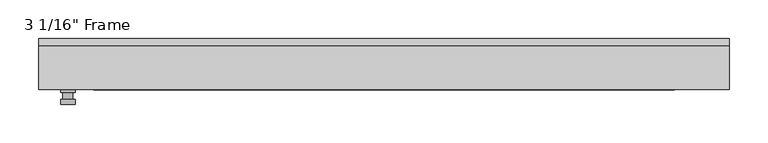
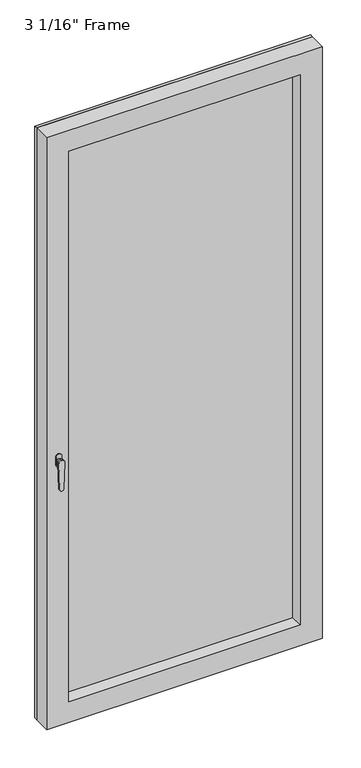
"""IFC4 building model written with IfcOpenShell, lengths in millimetres: plate geometry."""

import ifcopenshell
import ifcopenshell.guid

model = None  # the IFC model being written
_history = None  # IfcOwnerHistory: only IFC2X3 demands one
_inside = {}  # id of a spatial element -> (the spatial element, [elements in it])
_under = {}  # id of a project, library or spatial element -> (it, [spatial elements below it])
_declared = {}  # id of a project -> (the project, [libraries it declares])
_typed = {}  # id of a type object -> (the type object, [elements of that type])
_made_of = {}  # id of a material, layer set ... -> (it, [elements and type objects made of it])


def new_model(schema):
    """Start an empty IFC model of exactly this schema.

    Asked for "IFC4X3", IfcOpenShell would pick the latest addendum, in which some entities
    have other attributes; the version numbers below select the first issue.
    IFC2X3 requires an IfcOwnerHistory on every rooted entity: one is made here for all.
    """
    global model, _history
    if schema == "IFC4X3":
        model = ifcopenshell.file(schema_version=(4, 3, 0, 0))
    else:
        model = ifcopenshell.file(schema=schema)
    _inside.clear()
    _under.clear()
    _declared.clear()
    _typed.clear()
    _made_of.clear()
    _history = None
    if model.schema == "IFC2X3":
        org = make("IfcOrganization", Name="unknown")
        user = make(
            "IfcPersonAndOrganization",
            ThePerson=make("IfcPerson", FamilyName="unknown"),
            TheOrganization=org,
        )
        app = make(
            "IfcApplication",
            ApplicationDeveloper=org,
            Version="unknown",
            ApplicationFullName="unknown",
            ApplicationIdentifier="unknown",
        )
        _history = make(
            "IfcOwnerHistory",
            OwningUser=user,
            OwningApplication=app,
            ChangeAction="ADDED",
            CreationDate=0,
        )
    return model


def make(cls, **values):
    """One entity of the class cls with the attributes given. An attribute that is None is left unset."""
    return model.create_entity(
        cls, **{name: value for name, value in values.items() if value is not None}
    )


def rooted(cls, **values):
    """An entity with a GlobalId (a new one), such as an element, a storey or a relation."""
    return make(cls, GlobalId=ifcopenshell.guid.new(), OwnerHistory=_history, **values)


def si_unit(unit_type, name, prefix=None):
    """IfcSIUnit, for example si_unit("LENGTHUNIT", "METRE", prefix="MILLI")."""
    return make("IfcSIUnit", UnitType=unit_type, Prefix=prefix, Name=name)


def assignment(units):
    """IfcUnitAssignment: the units of a project."""
    return None if units is None else make("IfcUnitAssignment", Units=units)


def point(xyz):
    """IfcCartesianPoint."""
    return None if xyz is None else make("IfcCartesianPoint", Coordinates=xyz)


def direction(xyz):
    """IfcDirection."""
    return None if xyz is None else make("IfcDirection", DirectionRatios=xyz)


def frame(location, z_axis=None, x_axis=None):
    """IfcAxis2Placement3D, a coordinate frame: its origin and axes. An axis left out is left unset."""
    return make(
        "IfcAxis2Placement3D",
        Location=point(location),
        Axis=direction(z_axis),
        RefDirection=direction(x_axis),
    )


def origin():
    """The frame at (0, 0, 0) with its axes left unset."""
    return frame((0.0, 0.0, 0.0))


def place(relative_to, where):
    """IfcLocalPlacement: puts the frame where relative to a parent placement (None: the world)."""
    return make(
        "IfcLocalPlacement", PlacementRelTo=relative_to, RelativePlacement=where
    )


def context(
    kind, dimensions, precision=None, world=None, true_north=None, identifier=None
):
    """IfcGeometricRepresentationContext, for example the 3D "Model" context."""
    return make(
        "IfcGeometricRepresentationContext",
        ContextIdentifier=identifier,
        ContextType=kind,
        CoordinateSpaceDimension=dimensions,
        Precision=precision,
        WorldCoordinateSystem=world,
        TrueNorth=true_north,
    )


def project(units=None, contexts=None):
    """IfcProject with its units and contexts."""
    return rooted(
        "IfcProject",
        Name="project",
        RepresentationContexts=contexts,
        UnitsInContext=assignment(units),
    )


def spatial(cls, under=None, at=None, **own):
    """A site, building, storey or space (cls), placed at a placement, below another one or the project."""
    s = rooted(cls, ObjectPlacement=at, **own)
    if under is not None:
        _under.setdefault(under.id(), (under, []))[1].append(s)
    return s


def polyline(points):
    """IfcPolyline through the points."""
    return make("IfcPolyline", Points=[point(p) for p in points])


def circle_curve(where, radius):
    """IfcCircle in the frame where."""
    return make("IfcCircle", Position=where, Radius=radius)


def outline(outer, holes=None, kind="AREA"):
    """IfcArbitraryClosedProfileDef: a profile drawn as a closed curve; with holes, ...WithVoids."""
    if holes is None:
        return make("IfcArbitraryClosedProfileDef", ProfileType=kind, OuterCurve=outer)
    return make(
        "IfcArbitraryProfileDefWithVoids",
        ProfileType=kind,
        OuterCurve=outer,
        InnerCurves=holes,
    )


def extrude(swept, where, along, depth):
    """IfcExtrudedAreaSolid: the profile swept, set in the frame where, extruded along a direction by depth."""
    return make(
        "IfcExtrudedAreaSolid",
        SweptArea=swept,
        Position=where,
        ExtrudedDirection=direction(along),
        Depth=depth,
    )


def faces_of(points, faces, orient=None, outer=None):
    """IfcFace entities. A face is a list of loops; a loop is a list of indices into points, from 0.

    orient and outer hold one flag for each loop. By default every Orientation is true, the
    first loop of a face is its IfcFaceOuterBound and the others are IfcFaceBound.
    """
    made = []
    for i, loops in enumerate(faces):
        bounds = []
        for j, loop in enumerate(loops):
            is_outer = j == 0 if outer is None else outer[i][j]
            bounds.append(
                make(
                    "IfcFaceOuterBound" if is_outer else "IfcFaceBound",
                    Bound=make("IfcPolyLoop", Polygon=[points[k] for k in loop]),
                    Orientation=True if orient is None else orient[i][j],
                )
            )
        made.append(make("IfcFace", Bounds=bounds))
    return made


def faceted_brep(points, faces, orient=None, outer=None, voids=None):
    """IfcFacetedBrep: a solid bounded by flat faces; with voids (closed shells), ...WithVoids."""
    shared = [point(p) for p in points]
    hull = make("IfcClosedShell", CfsFaces=faces_of(shared, faces, orient, outer))
    if voids is None:
        return make("IfcFacetedBrep", Outer=hull)
    return make(
        "IfcFacetedBrepWithVoids",
        Outer=hull,
        Voids=[
            make(cls, CfsFaces=faces_of(shared, fs, o, b)) for cls, fs, o, b in voids
        ],
    )


def shape(context_of_items, identifier, shape_type, items):
    """IfcShapeRepresentation: the items that make up one representation, for example the "Body"."""
    return make(
        "IfcShapeRepresentation",
        ContextOfItems=context_of_items,
        RepresentationIdentifier=identifier,
        RepresentationType=shape_type,
        Items=items,
    )


def source(mapping_origin, context_of_items, identifier, shape_type, items):
    """IfcRepresentationMap: a shape defined once, which mapped items show again and again."""
    return make(
        "IfcRepresentationMap",
        MappingOrigin=mapping_origin,
        MappedRepresentation=shape(context_of_items, identifier, shape_type, items),
    )


def transform(
    local_origin,
    x_axis=None,
    y_axis=None,
    z_axis=None,
    scale=None,
    scale2=None,
    scale3=None,
    uniform=True,
):
    """IfcCartesianTransformationOperator3D, or its non-uniform kind. x_axis, y_axis, z_axis: its Axis1, 2, 3."""
    if uniform:
        return make(
            "IfcCartesianTransformationOperator3D",
            Axis1=direction(x_axis),
            Axis2=direction(y_axis),
            LocalOrigin=point(local_origin),
            Scale=scale,
            Axis3=direction(z_axis),
        )
    return make(
        "IfcCartesianTransformationOperator3DnonUniform",
        Axis1=direction(x_axis),
        Axis2=direction(y_axis),
        LocalOrigin=point(local_origin),
        Scale=scale,
        Axis3=direction(z_axis),
        Scale2=scale2,
        Scale3=scale3,
    )


def mapped(mapping_source, mapping_target):
    """IfcMappedItem: shows the shape of a source again, moved by a transform."""
    return make(
        "IfcMappedItem", MappingSource=mapping_source, MappingTarget=mapping_target
    )


def made_of(thing, what):
    """Note that an element or type object is made of a material, layer set ...; save() writes the relation."""
    if what is not None:
        _made_of.setdefault(what.id(), (what, []))[1].append(thing)
    return thing


def element(
    cls,
    number,
    at=None,
    inside=None,
    cuts=None,
    type_object=None,
    material=None,
    context=None,
    identifier="Body",
    shape_type=None,
    held_by="IfcProductDefinitionShape",
    body=None,
    shapes=None,
    **own,
):
    """One element of the class cls, such as IfcWall. Its Tag is "e" and its number.

    at: its placement. inside: the storey or other place that contains it. cuts: it is an
    opening in that element (IfcRelVoidsElement). A single representation is given by context,
    identifier, shape_type and body (its items); several are given by shapes. held_by: the class
    of the entity that holds the representations. save() writes the other relations.
    """
    e = rooted(cls, Tag="e%d" % number, ObjectPlacement=at, **own)
    if body is not None:
        shapes = [shape(context, identifier, shape_type, body)]
    if shapes is not None:
        e.Representation = make(held_by, Representations=shapes)
    if inside is not None:
        _inside.setdefault(inside.id(), (inside, []))[1].append(e)
    if cuts is not None:
        rooted(
            "IfcRelVoidsElement", RelatingBuildingElement=cuts, RelatedOpeningElement=e
        )
    if type_object is not None:
        _typed.setdefault(type_object.id(), (type_object, []))[1].append(e)
    return made_of(e, material)


def aggregate(whole, parts):
    """IfcRelAggregates: a whole, such as a stair, and the parts it consists of."""
    return rooted("IfcRelAggregates", RelatingObject=whole, RelatedObjects=parts)


def save(model, path):
    """Write the relations noted so far, then the file.

    IfcRelAggregates (storeys below a building ...), IfcRelContainedInSpatialStructure (elements
    in a storey), IfcRelDefinesByType, IfcRelAssociatesMaterial and IfcRelDeclares: one each for
    every whole, place, type object, material and project.
    """
    for whole, parts in _under.values():
        aggregate(whole, parts)
    for where, things in _inside.values():
        rooted(
            "IfcRelContainedInSpatialStructure",
            RelatedElements=things,
            RelatingStructure=where,
        )
    for kind, things in _typed.values():
        rooted("IfcRelDefinesByType", RelatedObjects=things, RelatingType=kind)
    for what, things in _made_of.values():
        rooted("IfcRelAssociatesMaterial", RelatedObjects=things, RelatingMaterial=what)
    for by, libraries in _declared.values():
        rooted("IfcRelDeclares", RelatingContext=by, RelatedDefinitions=libraries)
    model.write(path)


def plane_surface(at):
    """IfcPlane: the flat surface through the origin of the frame at, square to its z axis."""
    return make("IfcPlane", Position=at)


def cylinder_surface(at, radius):
    """IfcCylindricalSurface: all points at the distance radius from the z axis of the frame at."""
    return make("IfcCylindricalSurface", Position=at, Radius=radius)


def advanced_brep(points, edges, surfaces, faces):
    """IfcAdvancedBrep: a solid bounded by faces that lie on surfaces and meet in shared edges.

    An edge is (start, end): straight between two places in points (the first is 0);
    or (start, end, curve); or (start, end, curve, False) where it runs against its curve.
    A face is (place in surfaces, loops), or (place, loops, False) where it looks against
    its surface's normal. A loop lists edges by number (the first is 1), with a minus sign
    where the edge is run from its end to its start. The first loop is the outer one.
    """
    corners = [point(p) for p in points]
    vertices = [make("IfcVertexPoint", VertexGeometry=c) for c in corners]
    made = []
    for start, end, *more in edges:
        made.append(
            make(
                "IfcEdgeCurve",
                EdgeStart=vertices[start],
                EdgeEnd=vertices[end],
                EdgeGeometry=more[0] if more else make("IfcPolyline", Points=[corners[start], corners[end]]),
                SameSense=more[1] if len(more) > 1 else True,
            )
        )
    hull = []
    for where, loops, *sense in faces:
        bounds = []
        for j, loop in enumerate(loops):
            ring = [make("IfcOrientedEdge", EdgeElement=made[abs(k) - 1], Orientation=k > 0) for k in loop]
            bounds.append(
                make(
                    "IfcFaceOuterBound" if j == 0 else "IfcFaceBound",
                    Bound=make("IfcEdgeLoop", EdgeList=ring),
                    Orientation=True,
                )
            )
        hull.append(make("IfcAdvancedFace", Bounds=bounds, FaceSurface=surfaces[where], SameSense=sense[0] if sense else True))
    return make("IfcAdvancedBrep", Outer=make("IfcClosedShell", CfsFaces=hull))


def plate_f575043b(model_context):
    return source(origin(), model_context, "Body", "SolidModel", [
        advanced_brep(
        [(-400.685, -33.3375, 927.1), (-400.685, -33.3375, 901.7), (-419.735, -33.3375, 901.7), (-419.735, -33.3375, 927.1), (-403.86, -46.0375, 914.4), (-416.56, -46.0375, 914.4), (-416.56, -36.5125, 914.4), (-403.86, -36.5125, 914.4), (-400.685, -46.0375, 914.4), (-403.8640356, -46.0375, 825.2736467), (-416.5559644, -46.0375, 825.2736467), (-419.735, -46.0375, 914.4), (-400.685, -52.3875, 914.4), (-419.735, -52.3875, 914.4), (-416.5559644, -52.3875, 825.2736467), (-403.8640356, -52.3875, 825.2736467), (-400.685, -36.5125, 927.1), (-419.735, -36.5125, 927.1), (-419.735, -36.5125, 901.7), (-400.685, -36.5125, 901.7)],
        [
            (0, 1),
            (1, 2, circle_curve(frame((-410.21, -33.3375, 901.7), z_axis=(0.0, 1.0, 0.0), x_axis=(-1.0, 0.0, 0.0)), 9.525)),
            (2, 3),
            (3, 0, circle_curve(frame((-410.21, -33.3375, 927.1), z_axis=(0.0, 1.0, 0.0), x_axis=(-1.0, 0.0, 0.0)), 9.525)),
            (4, 5, circle_curve(frame((-410.21, -46.0375, 914.4), z_axis=(0.0, 1.0, 0.0), x_axis=(-1.0, 0.0, 0.0)), 6.35)),
            (5, 6),
            (6, 7, circle_curve(frame((-410.21, -36.5125, 914.4), z_axis=(0.0, -1.0, 0.0), x_axis=(-1.0, 0.0, 0.0)), 6.35)),
            (7, 4),
            (5, 4, circle_curve(frame((-410.21, -46.0375, 914.4), z_axis=(0.0, 1.0, 0.0), x_axis=(-1.0, 0.0, 0.0)), 6.35)),
            (7, 6, circle_curve(frame((-410.21, -36.5125, 914.4), z_axis=(0.0, -1.0, 0.0), x_axis=(-1.0, 0.0, 0.0)), 6.35)),
            (8, 9),
            (9, 10, circle_curve(frame((-410.21, -46.0375, 825.5), z_axis=(0.0, 1.0, 0.0), x_axis=(-1.0, 0.0, 0.0)), 6.35)),
            (10, 11),
            (11, 8, circle_curve(frame((-410.21, -46.0375, 914.4), z_axis=(0.0, 1.0, 0.0), x_axis=(-1.0, 0.0, 0.0)), 9.525)),
            (12, 13, circle_curve(frame((-410.21, -52.3875, 914.4), z_axis=(0.0, -1.0, 0.0), x_axis=(-1.0, 0.0, 0.0)), 9.525)),
            (13, 14),
            (14, 15, circle_curve(frame((-410.21, -52.3875, 825.5), z_axis=(0.0, -1.0, 0.0), x_axis=(-1.0, 0.0, 0.0)), 6.35)),
            (15, 12),
            (8, 12),
            (15, 9),
            (14, 10),
            (13, 11),
            (16, 17, circle_curve(frame((-410.21, -36.5125, 927.1), z_axis=(0.0, -1.0, 0.0), x_axis=(-1.0, 0.0, 0.0)), 9.525)),
            (17, 18),
            (18, 19, circle_curve(frame((-410.21, -36.5125, 901.7), z_axis=(0.0, -1.0, 0.0), x_axis=(-1.0, 0.0, 0.0)), 9.525)),
            (19, 16),
            (0, 16),
            (19, 1),
            (18, 2),
            (17, 3),
        ],
        [
            plane_surface(frame((-416.56, -33.3375, 914.4), z_axis=(0.0, 1.0, 0.0), x_axis=(0.0, 0.0, 1.0))),
            cylinder_surface(frame((-410.21, -46.0375, 914.4), z_axis=(0.0, 1.0, 0.0), x_axis=(-1.0, 0.0, 0.0)), 6.35),
            plane_surface(frame((-400.685, -46.0375, 914.4), z_axis=(0.0, 1.0000000000000002, 0.0), x_axis=(-0.03564619348186888, 0.0, -0.9993644724975235))),
            plane_surface(frame((-400.685, -52.3875, 914.4), z_axis=(0.0, -1.0000000000000002, 0.0), x_axis=(0.03564619348186888, 0.0, 0.9993644724975235))),
            plane_surface(frame((-400.685, -46.0375, 914.4), z_axis=(0.9993644724975235, 0.0, -0.03564619348186888), x_axis=(0.0, -1.0, 0.0))),
            cylinder_surface(frame((-410.21, -52.3875, 825.5), z_axis=(0.0, 1.0, 0.0), x_axis=(-1.0, 0.0, 0.0)), 6.35),
            plane_surface(frame((-416.5559644, -46.0375, 825.2736467), z_axis=(-0.9993644724975228, 0.0, -0.03564619348188612), x_axis=(0.0, -1.0, 0.0))),
            cylinder_surface(frame((-410.21, -52.3875, 914.4), z_axis=(0.0, 1.0, 0.0), x_axis=(-1.0, 0.0, 0.0)), 9.525),
            plane_surface(frame((-400.685, -36.5125, 901.7), z_axis=(0.0, -1.0, 0.0), x_axis=(0.0, 0.0, 1.0))),
            plane_surface(frame((-400.685, -33.3375, 927.1), z_axis=(1.0, 0.0, 0.0), x_axis=(0.0, -1.0, 0.0))),
            cylinder_surface(frame((-410.21, -36.5125, 901.7), z_axis=(0.0, 1.0, 0.0), x_axis=(-1.0, 0.0, 0.0)), 9.525),
            plane_surface(frame((-419.735, -33.3375, 901.7), z_axis=(-1.0, 0.0, 0.0), x_axis=(0.0, -1.0, 0.0))),
            cylinder_surface(frame((-410.21, -36.5125, 927.1), z_axis=(0.0, 1.0, 0.0), x_axis=(-1.0, 0.0, 0.0)), 9.525),
        ],
        [
            (0, [[1, 2, 3, 4]]),
            (1, [[5, 6, 7, 8]]),
            (1, [[9, -8, 10, -6]]),
            (2, [[11, 12, 13, 14], [-5, -9]]),
            (3, [[15, 16, 17, 18]]),
            (4, [[-11, 19, -18, 20]]),
            (5, [[-12, -20, -17, 21]]),
            (6, [[-13, -21, -16, 22]]),
            (7, [[-14, -22, -15, -19]]),
            (8, [[23, 24, 25, 26], [-7, -10]]),
            (9, [[-1, 27, -26, 28]]),
            (10, [[-2, -28, -25, 29]]),
            (11, [[-3, -29, -24, 30]]),
            (12, [[-4, -30, -23, -27]]),
        ],
    ),
        extrude(outline(polyline([(0.0, -448.31), (0.0, 448.31), (2035.175, 448.31), (2035.175, -448.31), (0.0, -448.31)]), holes=[polyline([(1957.3875, -370.5225), (1957.3875, 370.5225), (77.7875, 370.5225), (77.7875, -370.5225), (1957.3875, -370.5225)])]), frame((0.0, 23.8125, 0.0), z_axis=(0.0, 1.0, 0.0), x_axis=(0.0, 0.0, 1.0)), (0.0, 0.0, 1.0), 9.525),
        faceted_brep([(-448.31, -33.3375, 0.0), (-448.31, 23.8125, 0.0), (448.31, 23.8125, 0.0), (448.31, -33.3375, 0.0), (-448.31, -33.3375, 2035.175), (-448.31, 23.8125, 2035.175), (448.31, 23.8125, 2035.175), (-383.2225, 23.8125, 1970.0875), (-383.2225, 23.8125, 65.0875), (383.2225, 23.8125, 65.0875), (383.2225, 23.8125, 1970.0875), (-383.2225, 0.0, 1970.0875), (-383.2225, 0.0, 65.0875), (383.2225, 0.0, 1970.0875), (383.2225, 0.0, 65.0875), (-370.5225, 0.0, 1957.3875), (-370.5225, 0.0, 77.7875), (370.5225, 0.0, 77.7875), (370.5225, 0.0, 1957.3875), (-376.8725, -33.3375, 1963.7375), (-376.8725, -33.3375, 71.4375), (448.31, -33.3375, 2035.175), (376.8725, -33.3375, 1963.7375), (376.8725, -33.3375, 71.4375)], [[[0, 1, 2, 3]], [[1, 0, 4, 5]], [[2, 1, 5, 6], [7, 8, 9, 10]], [[7, 11, 12, 8]], [[11, 13, 14, 12], [15, 16, 17, 18]], [[15, 19, 20, 16]], [[4, 0, 3, 21], [22, 23, 20, 19]], [[5, 4, 21, 6]], [[7, 10, 13, 11]], [[15, 18, 22, 19]], [[2, 6, 21, 3]], [[14, 13, 10, 9]], [[22, 18, 17, 23]], [[20, 23, 17, 16]], [[9, 8, 12, 14]]]),
        extrude(outline(polyline([(383.2225, 0.0), (-383.2225, 0.0), (-383.2225, 23.8125), (383.2225, 23.8125), (383.2225, 0.0)])), frame((0.0, 0.0, 65.0875), z_axis=(0.0, 0.0, 1.0), x_axis=(1.0, 0.0, 0.0)), (0.0, 0.0, 1.0), 1905.0),
    ])


if __name__ == "__main__":
    model = new_model("IFC4")
    model_context = context("Model", 3, world=origin())
    ifc_project = project(units=[si_unit("LENGTHUNIT", "METRE", prefix="MILLI")], contexts=[model_context])
    site = spatial("IfcSite", under=ifc_project)
    building = spatial("IfcBuilding", under=site)
    placement = place(None, origin())
    plate_shape = plate_f575043b(model_context)
    element("IfcPlate", 1, ObjectType="3 1/16\" Frame", at=placement, inside=building, context=model_context, shape_type="MappedRepresentation", body=[
        mapped(plate_shape, transform((0.0, 0.0, 0.0), x_axis=(1.0, 0.0, 0.0), y_axis=(0.0, 1.0, 0.0), z_axis=(0.0, 0.0, 1.0))),
    ])
    save(model, "model.ifc")
